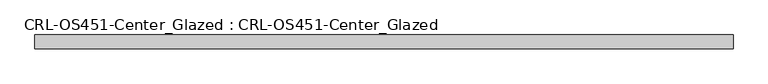
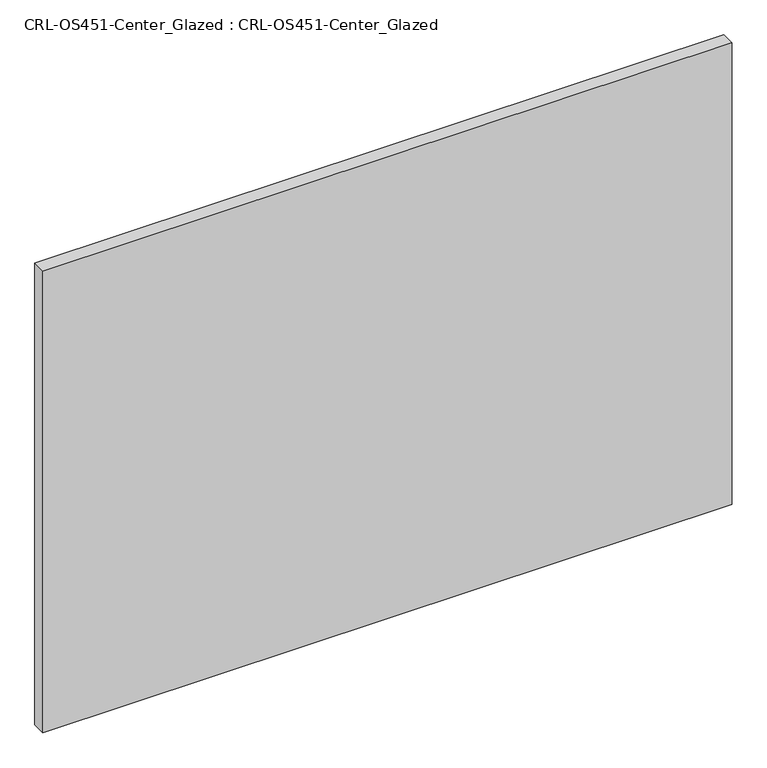
"""IFC4 building model written with IfcOpenShell, lengths in millimetres: plate geometry, CRL-OS451-Center_Glazed : CRL-OS451-Center_Glazed."""

from ifc_helpers import new_model, si_unit, origin, origin_with_axes, place, context, project, spatial, polyline, outline, extrude, source, transform, mapped, element, save


def crl_os451_center_glazed_crl_os451_center_glazed_e20a9d56(model_context):
    return source(origin(), model_context, "Body", "SweptSolid", [
        extrude(outline(polyline([(-630.7647079, 12.709956), (630.7647079, 12.709956), (630.7647079, -12.709956), (-630.7647079, -12.709956), (-630.7647079, 12.709956)])), origin_with_axes(), (0.0, 0.0, 1.0), 893.4410342),
    ])


if __name__ == "__main__":
    model = new_model("IFC4")
    model_context = context("Model", 3, world=origin())
    ifc_project = project(units=[si_unit("LENGTHUNIT", "METRE", prefix="MILLI")], contexts=[model_context])
    site = spatial("IfcSite", under=ifc_project)
    building = spatial("IfcBuilding", under=site)
    placement = place(None, origin())
    crl_os451_center_glazed_crl_os451_center_glazed_shape = crl_os451_center_glazed_crl_os451_center_glazed_e20a9d56(model_context)
    element("IfcPlate", 1, ObjectType="CRL-OS451-Center_Glazed : CRL-OS451-Center_Glazed", at=placement, inside=building, context=model_context, shape_type="MappedRepresentation", body=[
        mapped(crl_os451_center_glazed_crl_os451_center_glazed_shape, transform((0.0, 0.0, 0.0), x_axis=(1.0, 0.0, 0.0), y_axis=(0.0, 1.0, 0.0), z_axis=(0.0, 0.0, 1.0))),
    ])
    save(model, "model.ifc")
